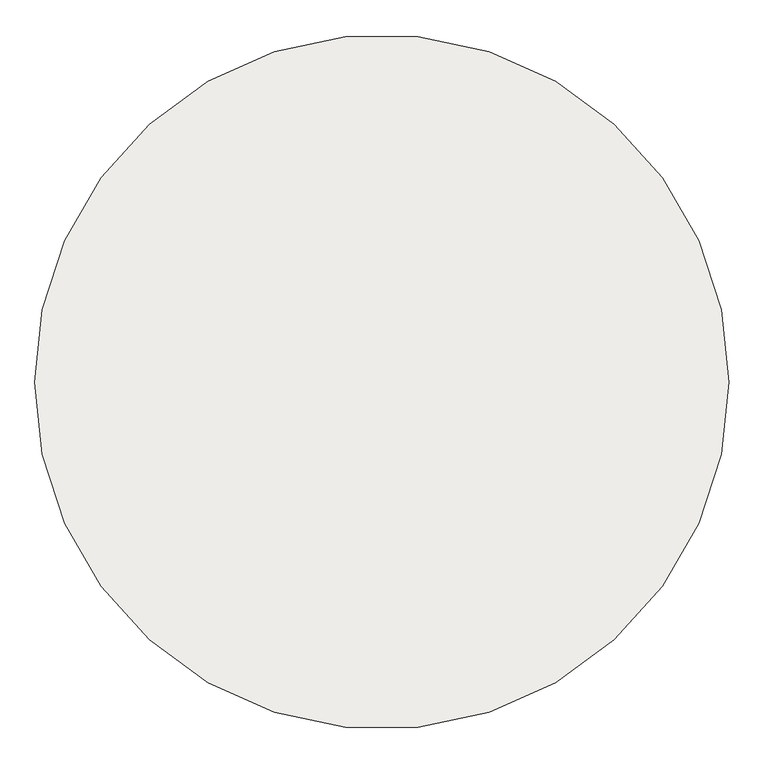
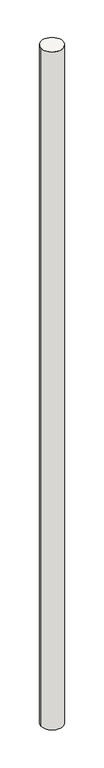
"""IFC4 building model written with IfcOpenShell, lengths in millimetres: slab geometry."""

from ifc_helpers import new_model, si_unit, point, frame, frame_2d, origin, place, context, project, spatial, circle_curve, trimmed, segment, composite_curve, outline, extrude, source, transform, mapped, element, save


def slab_ff5b6603(model_context):
    return source(origin(), model_context, "Body", "SweptSolid", [
        extrude(outline(composite_curve([segment(trimmed(circle_curve(frame_2d((-8.5024143, 0.0)), 750.0), [point((-758.5024143, 0.0))], [point((741.4975857, 0.0))], False, "CARTESIAN"), True, "CONTINUOUS"), segment(trimmed(circle_curve(frame_2d((-8.5024143, 0.0)), 750.0), [point((741.4975857, 0.0))], [point((-758.5024143, 0.0))], False, "CARTESIAN"), True, "CONTINUOUS")], self_intersect=False)), frame((0.0, 0.0, -48900.0), z_axis=(0.0, 0.0, 1.0), x_axis=(1.0, 0.0, 0.0)), (0.0, 0.0, 1.0), 49000.0),
    ])


if __name__ == "__main__":
    model = new_model("IFC4")
    model_context = context("Model", 3, world=origin())
    ifc_project = project(units=[si_unit("LENGTHUNIT", "METRE", prefix="MILLI")], contexts=[model_context])
    site = spatial("IfcSite", under=ifc_project)
    building = spatial("IfcBuilding", under=site)
    placement = place(None, origin())
    slab_shape = slab_ff5b6603(model_context)
    element("IfcSlab", 1, at=placement, inside=building, context=model_context, shape_type="MappedRepresentation", body=[
        mapped(slab_shape, transform((0.0, 0.0, 0.0), x_axis=(1.0, 0.0, 0.0), y_axis=(0.0, 1.0, 0.0), z_axis=(0.0, 0.0, 1.0))),
    ])
    save(model, "model.ifc")
